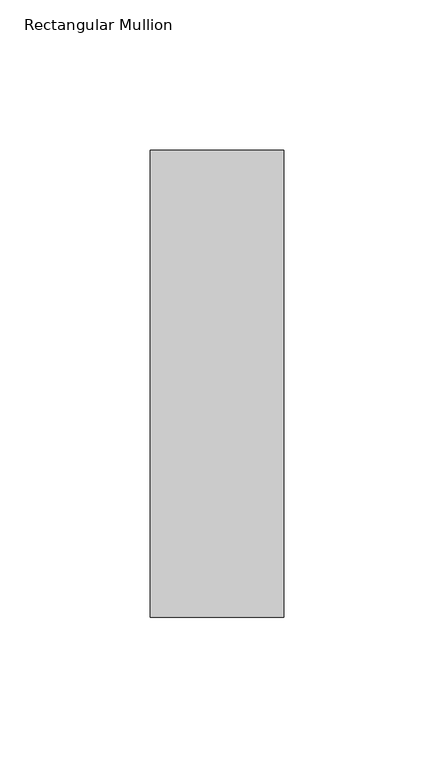
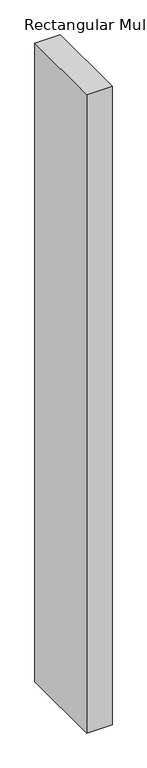
"""IFC4 building model written with IfcOpenShell, lengths in millimetres: member geometry, Rectangular Mullion."""

import ifcopenshell
import ifcopenshell.guid

model = None  # the IFC model being written
_history = None  # IfcOwnerHistory: only IFC2X3 demands one
_inside = {}  # id of a spatial element -> (the spatial element, [elements in it])
_under = {}  # id of a project, library or spatial element -> (it, [spatial elements below it])
_declared = {}  # id of a project -> (the project, [libraries it declares])
_typed = {}  # id of a type object -> (the type object, [elements of that type])
_made_of = {}  # id of a material, layer set ... -> (it, [elements and type objects made of it])


def new_model(schema):
    """Start an empty IFC model of exactly this schema.

    Asked for "IFC4X3", IfcOpenShell would pick the latest addendum, in which some entities
    have other attributes; the version numbers below select the first issue.
    IFC2X3 requires an IfcOwnerHistory on every rooted entity: one is made here for all.
    """
    global model, _history
    if schema == "IFC4X3":
        model = ifcopenshell.file(schema_version=(4, 3, 0, 0))
    else:
        model = ifcopenshell.file(schema=schema)
    _inside.clear()
    _under.clear()
    _declared.clear()
    _typed.clear()
    _made_of.clear()
    _history = None
    if model.schema == "IFC2X3":
        org = make("IfcOrganization", Name="unknown")
        user = make(
            "IfcPersonAndOrganization",
            ThePerson=make("IfcPerson", FamilyName="unknown"),
            TheOrganization=org,
        )
        app = make(
            "IfcApplication",
            ApplicationDeveloper=org,
            Version="unknown",
            ApplicationFullName="unknown",
            ApplicationIdentifier="unknown",
        )
        _history = make(
            "IfcOwnerHistory",
            OwningUser=user,
            OwningApplication=app,
            ChangeAction="ADDED",
            CreationDate=0,
        )
    return model


def make(cls, **values):
    """One entity of the class cls with the attributes given. An attribute that is None is left unset."""
    return model.create_entity(
        cls, **{name: value for name, value in values.items() if value is not None}
    )


def rooted(cls, **values):
    """An entity with a GlobalId (a new one), such as an element, a storey or a relation."""
    return make(cls, GlobalId=ifcopenshell.guid.new(), OwnerHistory=_history, **values)


def si_unit(unit_type, name, prefix=None):
    """IfcSIUnit, for example si_unit("LENGTHUNIT", "METRE", prefix="MILLI")."""
    return make("IfcSIUnit", UnitType=unit_type, Prefix=prefix, Name=name)


def assignment(units):
    """IfcUnitAssignment: the units of a project."""
    return None if units is None else make("IfcUnitAssignment", Units=units)


def point(xyz):
    """IfcCartesianPoint."""
    return None if xyz is None else make("IfcCartesianPoint", Coordinates=xyz)


def direction(xyz):
    """IfcDirection."""
    return None if xyz is None else make("IfcDirection", DirectionRatios=xyz)


def frame(location, z_axis=None, x_axis=None):
    """IfcAxis2Placement3D, a coordinate frame: its origin and axes. An axis left out is left unset."""
    return make(
        "IfcAxis2Placement3D",
        Location=point(location),
        Axis=direction(z_axis),
        RefDirection=direction(x_axis),
    )


def origin():
    """The frame at (0, 0, 0) with its axes left unset."""
    return frame((0.0, 0.0, 0.0))


def place(relative_to, where):
    """IfcLocalPlacement: puts the frame where relative to a parent placement (None: the world)."""
    return make(
        "IfcLocalPlacement", PlacementRelTo=relative_to, RelativePlacement=where
    )


def context(
    kind, dimensions, precision=None, world=None, true_north=None, identifier=None
):
    """IfcGeometricRepresentationContext, for example the 3D "Model" context."""
    return make(
        "IfcGeometricRepresentationContext",
        ContextIdentifier=identifier,
        ContextType=kind,
        CoordinateSpaceDimension=dimensions,
        Precision=precision,
        WorldCoordinateSystem=world,
        TrueNorth=true_north,
    )


def project(units=None, contexts=None):
    """IfcProject with its units and contexts."""
    return rooted(
        "IfcProject",
        Name="project",
        RepresentationContexts=contexts,
        UnitsInContext=assignment(units),
    )


def spatial(cls, under=None, at=None, **own):
    """A site, building, storey or space (cls), placed at a placement, below another one or the project."""
    s = rooted(cls, ObjectPlacement=at, **own)
    if under is not None:
        _under.setdefault(under.id(), (under, []))[1].append(s)
    return s


def polyline(points):
    """IfcPolyline through the points."""
    return make("IfcPolyline", Points=[point(p) for p in points])


def outline(outer, holes=None, kind="AREA"):
    """IfcArbitraryClosedProfileDef: a profile drawn as a closed curve; with holes, ...WithVoids."""
    if holes is None:
        return make("IfcArbitraryClosedProfileDef", ProfileType=kind, OuterCurve=outer)
    return make(
        "IfcArbitraryProfileDefWithVoids",
        ProfileType=kind,
        OuterCurve=outer,
        InnerCurves=holes,
    )


def extrude(swept, where, along, depth):
    """IfcExtrudedAreaSolid: the profile swept, set in the frame where, extruded along a direction by depth."""
    return make(
        "IfcExtrudedAreaSolid",
        SweptArea=swept,
        Position=where,
        ExtrudedDirection=direction(along),
        Depth=depth,
    )


def shape(context_of_items, identifier, shape_type, items):
    """IfcShapeRepresentation: the items that make up one representation, for example the "Body"."""
    return make(
        "IfcShapeRepresentation",
        ContextOfItems=context_of_items,
        RepresentationIdentifier=identifier,
        RepresentationType=shape_type,
        Items=items,
    )


def source(mapping_origin, context_of_items, identifier, shape_type, items):
    """IfcRepresentationMap: a shape defined once, which mapped items show again and again."""
    return make(
        "IfcRepresentationMap",
        MappingOrigin=mapping_origin,
        MappedRepresentation=shape(context_of_items, identifier, shape_type, items),
    )


def transform(
    local_origin,
    x_axis=None,
    y_axis=None,
    z_axis=None,
    scale=None,
    scale2=None,
    scale3=None,
    uniform=True,
):
    """IfcCartesianTransformationOperator3D, or its non-uniform kind. x_axis, y_axis, z_axis: its Axis1, 2, 3."""
    if uniform:
        return make(
            "IfcCartesianTransformationOperator3D",
            Axis1=direction(x_axis),
            Axis2=direction(y_axis),
            LocalOrigin=point(local_origin),
            Scale=scale,
            Axis3=direction(z_axis),
        )
    return make(
        "IfcCartesianTransformationOperator3DnonUniform",
        Axis1=direction(x_axis),
        Axis2=direction(y_axis),
        LocalOrigin=point(local_origin),
        Scale=scale,
        Axis3=direction(z_axis),
        Scale2=scale2,
        Scale3=scale3,
    )


def mapped(mapping_source, mapping_target):
    """IfcMappedItem: shows the shape of a source again, moved by a transform."""
    return make(
        "IfcMappedItem", MappingSource=mapping_source, MappingTarget=mapping_target
    )


def made_of(thing, what):
    """Note that an element or type object is made of a material, layer set ...; save() writes the relation."""
    if what is not None:
        _made_of.setdefault(what.id(), (what, []))[1].append(thing)
    return thing


def element(
    cls,
    number,
    at=None,
    inside=None,
    cuts=None,
    type_object=None,
    material=None,
    context=None,
    identifier="Body",
    shape_type=None,
    held_by="IfcProductDefinitionShape",
    body=None,
    shapes=None,
    **own,
):
    """One element of the class cls, such as IfcWall. Its Tag is "e" and its number.

    at: its placement. inside: the storey or other place that contains it. cuts: it is an
    opening in that element (IfcRelVoidsElement). A single representation is given by context,
    identifier, shape_type and body (its items); several are given by shapes. held_by: the class
    of the entity that holds the representations. save() writes the other relations.
    """
    e = rooted(cls, Tag="e%d" % number, ObjectPlacement=at, **own)
    if body is not None:
        shapes = [shape(context, identifier, shape_type, body)]
    if shapes is not None:
        e.Representation = make(held_by, Representations=shapes)
    if inside is not None:
        _inside.setdefault(inside.id(), (inside, []))[1].append(e)
    if cuts is not None:
        rooted(
            "IfcRelVoidsElement", RelatingBuildingElement=cuts, RelatedOpeningElement=e
        )
    if type_object is not None:
        _typed.setdefault(type_object.id(), (type_object, []))[1].append(e)
    return made_of(e, material)


def aggregate(whole, parts):
    """IfcRelAggregates: a whole, such as a stair, and the parts it consists of."""
    return rooted("IfcRelAggregates", RelatingObject=whole, RelatedObjects=parts)


def save(model, path):
    """Write the relations noted so far, then the file.

    IfcRelAggregates (storeys below a building ...), IfcRelContainedInSpatialStructure (elements
    in a storey), IfcRelDefinesByType, IfcRelAssociatesMaterial and IfcRelDeclares: one each for
    every whole, place, type object, material and project.
    """
    for whole, parts in _under.values():
        aggregate(whole, parts)
    for where, things in _inside.values():
        rooted(
            "IfcRelContainedInSpatialStructure",
            RelatedElements=things,
            RelatingStructure=where,
        )
    for kind, things in _typed.values():
        rooted("IfcRelDefinesByType", RelatedObjects=things, RelatingType=kind)
    for what, things in _made_of.values():
        rooted("IfcRelAssociatesMaterial", RelatedObjects=things, RelatingMaterial=what)
    for by, libraries in _declared.values():
        rooted("IfcRelDeclares", RelatingContext=by, RelatedDefinitions=libraries)
    model.write(path)


def rectangular_mullion_2b15910d(model_context):
    return source(origin(), model_context, "Body", "SweptSolid", [
        extrude(outline(polyline([(-44.45, 76.1906616), (0.0, 76.1906616), (0.0, -79.3656616), (-44.45, -79.3656616), (-44.45, 76.1906616)])), frame((0.0, 0.0, -1174.75), z_axis=(0.0, 0.0, 1.0), x_axis=(1.0, 0.0, 0.0)), (0.0, 0.0, 1.0), 1174.75),
    ])


if __name__ == "__main__":
    model = new_model("IFC4")
    model_context = context("Model", 3, world=origin())
    ifc_project = project(units=[si_unit("LENGTHUNIT", "METRE", prefix="MILLI")], contexts=[model_context])
    site = spatial("IfcSite", under=ifc_project)
    building = spatial("IfcBuilding", under=site)
    placement = place(None, origin())
    rectangular_mullion_shape = rectangular_mullion_2b15910d(model_context)
    element("IfcMember", 1, ObjectType="Rectangular Mullion", at=placement, inside=building, context=model_context, shape_type="MappedRepresentation", body=[
        mapped(rectangular_mullion_shape, transform((0.0, 0.0, 0.0), x_axis=(1.0, 0.0, 0.0), y_axis=(0.0, 1.0, 0.0), z_axis=(0.0, 0.0, 1.0))),
    ])
    save(model, "model.ifc")
